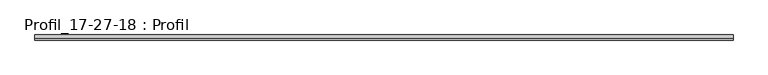
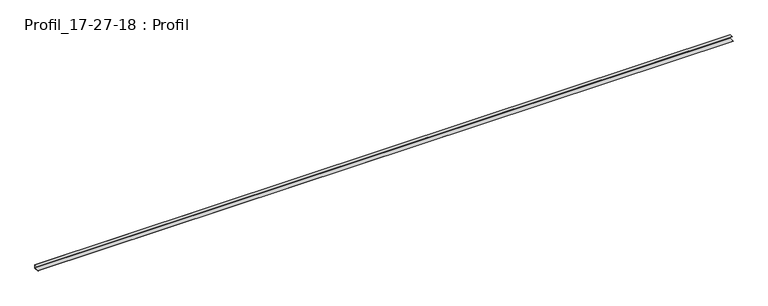
"""IFC4 building model written with IfcOpenShell, lengths in millimetres: proxy geometry, Profil_17-27-18 : Profil."""

from ifc_helpers import new_model, si_unit, frame, origin, place, context, project, spatial, polyline, outline, extrude, source, transform, mapped, element, save


def profil_17_27_18_profil_bb963261(model_context):
    return source(origin(), model_context, "Body", "SweptSolid", [
        extrude(outline(polyline([(0.0, 19.0), (0.0, 0.0), (-27.0, 0.0), (-27.0, 0.8), (-0.8, 0.8), (-0.8, 18.2), (-18.0, 18.2), (-18.0, 19.0), (0.0, 19.0)])), frame((0.0, 0.0, 0.0), z_axis=(1.0, 0.0, 0.0), x_axis=(0.0, 1.0, 0.0)), (0.0, 0.0, 1.0), 3700.0),
    ])


if __name__ == "__main__":
    model = new_model("IFC4")
    model_context = context("Model", 3, world=origin())
    ifc_project = project(units=[si_unit("LENGTHUNIT", "METRE", prefix="MILLI")], contexts=[model_context])
    site = spatial("IfcSite", under=ifc_project)
    building = spatial("IfcBuilding", under=site)
    placement = place(None, origin())
    profil_17_27_18_profil_shape = profil_17_27_18_profil_bb963261(model_context)
    element("IfcBuildingElementProxy", 1, Name="Profil_17-27-18 : Profil", ObjectType="Profil_17-27-18 : Profil", at=placement, inside=building, context=model_context, shape_type="MappedRepresentation", body=[
        mapped(profil_17_27_18_profil_shape, transform((0.0, 0.0, 0.0), x_axis=(1.0, 0.0, 0.0), y_axis=(0.0, 1.0, 0.0), z_axis=(0.0, 0.0, 1.0))),
    ])
    save(model, "model.ifc")
